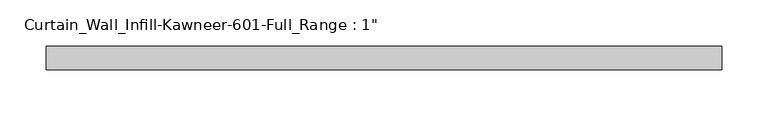
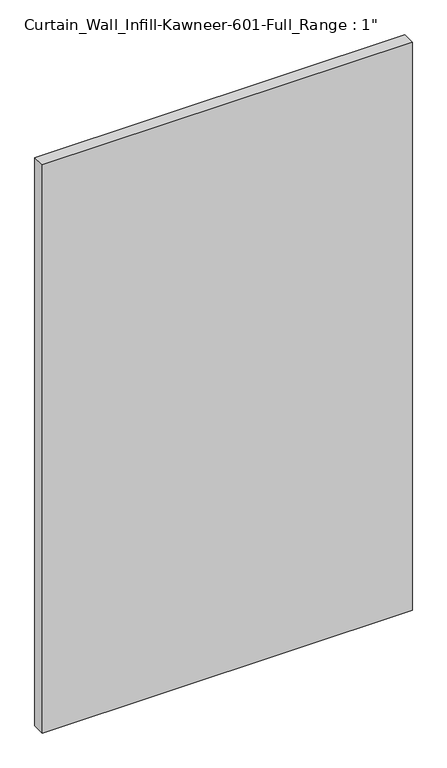
"""IFC4 building model written with IfcOpenShell, lengths in millimetres: plate geometry."""

from ifc_helpers import new_model, si_unit, origin, origin_with_axes, place, context, project, spatial, polyline, outline, extrude, source, transform, mapped, element, save


def plate_04b9b351(model_context):
    return source(origin(), model_context, "Body", "SweptSolid", [
        extrude(outline(polyline([(-365.9214131, -12.7), (-365.9214131, 12.7), (365.9214131, 12.7), (365.9214131, -12.7), (-365.9214131, -12.7)])), origin_with_axes(), (0.0, 0.0, 1.0), 1187.45),
    ])


if __name__ == "__main__":
    model = new_model("IFC4")
    model_context = context("Model", 3, world=origin())
    ifc_project = project(units=[si_unit("LENGTHUNIT", "METRE", prefix="MILLI")], contexts=[model_context])
    site = spatial("IfcSite", under=ifc_project)
    building = spatial("IfcBuilding", under=site)
    placement = place(None, origin())
    plate_shape = plate_04b9b351(model_context)
    element("IfcPlate", 1, ObjectType="Curtain_Wall_Infill-Kawneer-601-Full_Range : 1\"", at=placement, inside=building, context=model_context, shape_type="MappedRepresentation", body=[
        mapped(plate_shape, transform((0.0, 0.0, 0.0), x_axis=(1.0, 0.0, 0.0), y_axis=(0.0, 1.0, 0.0), z_axis=(0.0, 0.0, 1.0))),
    ])
    save(model, "model.ifc")
